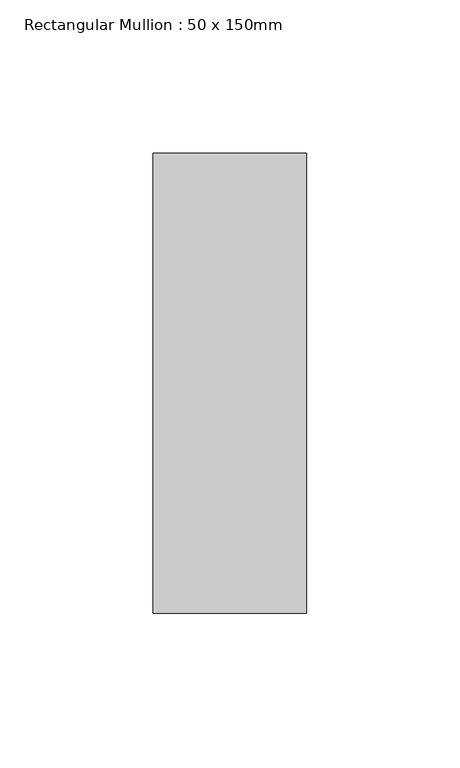
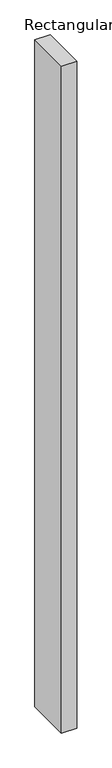
"""IFC4 building model written with IfcOpenShell, lengths in millimetres: member geometry, Rectangular Mullion : 50 x 150mm."""

from ifc_helpers import new_model, si_unit, frame, origin, place, context, project, spatial, polyline, outline, extrude, source, transform, mapped, element, save


def rectangular_mullion_50_x_150mm_8e8a0396(model_context):
    return source(origin(), model_context, "Body", "SweptSolid", [
        extrude(outline(polyline([(25.0, 75.0), (25.0, -75.0), (-25.0, -75.0), (-25.0, 75.0), (25.0, 75.0)])), frame((0.0, 0.0, -2307.4666667), z_axis=(0.0, 0.0, 1.0), x_axis=(1.0, 0.0, 0.0)), (0.0, 0.0, 1.0), 2307.4666667),
    ])


if __name__ == "__main__":
    model = new_model("IFC4")
    model_context = context("Model", 3, world=origin())
    ifc_project = project(units=[si_unit("LENGTHUNIT", "METRE", prefix="MILLI")], contexts=[model_context])
    site = spatial("IfcSite", under=ifc_project)
    building = spatial("IfcBuilding", under=site)
    placement = place(None, origin())
    rectangular_mullion_50_x_150mm_shape = rectangular_mullion_50_x_150mm_8e8a0396(model_context)
    element("IfcMember", 1, ObjectType="Rectangular Mullion : 50 x 150mm", at=placement, inside=building, context=model_context, shape_type="MappedRepresentation", body=[
        mapped(rectangular_mullion_50_x_150mm_shape, transform((0.0, 0.0, 0.0), x_axis=(1.0, 0.0, 0.0), y_axis=(0.0, 1.0, 0.0), z_axis=(0.0, 0.0, 1.0))),
    ])
    save(model, "model.ifc")
